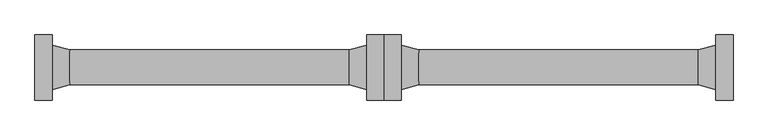
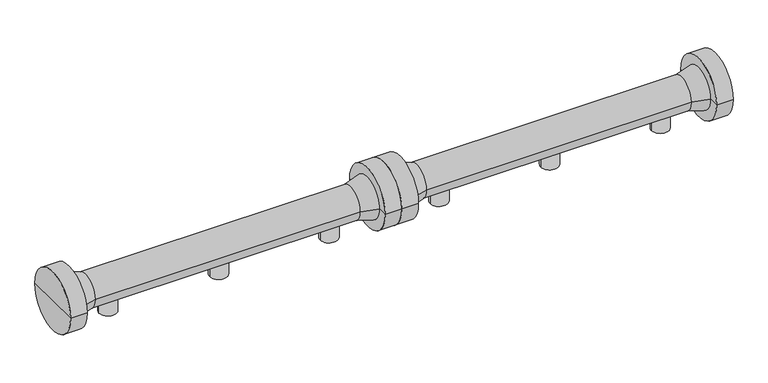
"""IFC4 building model written with IfcOpenShell, lengths in millimetres: proxy geometry."""

from ifc_helpers import new_model, si_unit, frame, origin, place, context, project, spatial, polyline, circle_curve, source, transform, mapped, element, save
from ifc_brep_helpers import plane_surface, cylinder_surface, revolved_surface, advanced_brep


def specialty_equipment_7ed93d7d(model_context):
    return source(origin(), model_context, "Body", "AdvancedBrep", [
        advanced_brep(
        [(2038.0, 0.0, 0.0), (1958.0, 0.0, 0.0), (1958.0, 0.0, 85.195173), (2038.0, 0.0, 85.195173), (1998.0, 0.0, 0.0), (1998.0, 0.0, 85.195173)],
        [
            (0, 1, circle_curve(frame((1998.0, 0.0, 0.0), z_axis=(0.0, 0.0, 1.0), x_axis=(-1.0, 0.0, 0.0)), 40.0)),
            (1, 2),
            (2, 3, circle_curve(frame((1998.0, 0.0, 85.195173), z_axis=(0.0, 0.0, -1.0), x_axis=(-1.0, 0.0, 0.0)), 40.0)),
            (3, 0),
            (1, 0, circle_curve(frame((1998.0, 0.0, 0.0), z_axis=(0.0, 0.0, 1.0), x_axis=(-1.0, 0.0, 0.0)), 40.0)),
            (3, 2, circle_curve(frame((1998.0, 0.0, 85.195173), z_axis=(0.0, 0.0, -1.0), x_axis=(-1.0, 0.0, 0.0)), 40.0)),
            (4, 1),
            (0, 4),
            (2, 5),
            (5, 3),
        ],
        [
            cylinder_surface(frame((1998.0, 0.0, 1119.4899158), z_axis=(0.0, 0.0, -1.0), x_axis=(-1.0, 0.0, 0.0)), 40.0),
            plane_surface(frame((1998.0, 0.0, 0.0), z_axis=(0.0, 0.0, -1.0), x_axis=(-1.0, 0.0, 0.0))),
            plane_surface(frame((1998.0, 0.0, 85.195173), z_axis=(0.0, 0.0, 1.0), x_axis=(-1.0, 0.0, 0.0))),
        ],
        [
            (0, [[1, 2, 3, 4]]),
            (0, [[5, -4, 6, -2]]),
            (1, [[7, -1, 8]]),
            (1, [[-8, -5, -7]]),
            (2, [[-3, 9, 10]]),
            (2, [[-6, -10, -9]]),
        ],
    ),
        advanced_brep(
        [(2538.0, 0.0, 0.0), (2458.0, 0.0, 0.0), (2458.0, 0.0, 85.195173), (2538.0, 0.0, 85.195173), (2498.0, 0.0, 0.0), (2498.0, 0.0, 85.195173)],
        [
            (0, 1, circle_curve(frame((2498.0, 0.0, 0.0), z_axis=(0.0, 0.0, 1.0), x_axis=(-1.0, 0.0, 0.0)), 40.0)),
            (1, 2),
            (2, 3, circle_curve(frame((2498.0, 0.0, 85.195173), z_axis=(0.0, 0.0, -1.0), x_axis=(-1.0, 0.0, 0.0)), 40.0)),
            (3, 0),
            (1, 0, circle_curve(frame((2498.0, 0.0, 0.0), z_axis=(0.0, 0.0, 1.0), x_axis=(-1.0, 0.0, 0.0)), 40.0)),
            (3, 2, circle_curve(frame((2498.0, 0.0, 85.195173), z_axis=(0.0, 0.0, -1.0), x_axis=(-1.0, 0.0, 0.0)), 40.0)),
            (4, 1),
            (0, 4),
            (2, 5),
            (5, 3),
        ],
        [
            cylinder_surface(frame((2498.0, 0.0, 1119.4899158), z_axis=(0.0, 0.0, -1.0), x_axis=(-1.0, 0.0, 0.0)), 40.0),
            plane_surface(frame((2498.0, 0.0, 0.0), z_axis=(0.0, 0.0, -1.0), x_axis=(-1.0, 0.0, 0.0))),
            plane_surface(frame((2498.0, 0.0, 85.195173), z_axis=(0.0, 0.0, 1.0), x_axis=(-1.0, 0.0, 0.0))),
        ],
        [
            (0, [[1, 2, 3, 4]]),
            (0, [[5, -4, 6, -2]]),
            (1, [[7, -1, 8]]),
            (1, [[-8, -5, -7]]),
            (2, [[-3, 9, 10]]),
            (2, [[-6, -10, -9]]),
        ],
    ),
        advanced_brep(
        [(1538.0, 0.0, 0.0), (1458.0, 0.0, 0.0), (1458.0, 0.0, 85.195173), (1538.0, 0.0, 85.195173), (1498.0, 0.0, 0.0), (1498.0, 0.0, 85.195173)],
        [
            (0, 1, circle_curve(frame((1498.0, 0.0, 0.0), z_axis=(0.0, 0.0, 1.0), x_axis=(-1.0, 0.0, 0.0)), 40.0)),
            (1, 2),
            (2, 3, circle_curve(frame((1498.0, 0.0, 85.195173), z_axis=(0.0, 0.0, -1.0), x_axis=(-1.0, 0.0, 0.0)), 40.0)),
            (3, 0),
            (1, 0, circle_curve(frame((1498.0, 0.0, 0.0), z_axis=(0.0, 0.0, 1.0), x_axis=(-1.0, 0.0, 0.0)), 40.0)),
            (3, 2, circle_curve(frame((1498.0, 0.0, 85.195173), z_axis=(0.0, 0.0, -1.0), x_axis=(-1.0, 0.0, 0.0)), 40.0)),
            (4, 1),
            (0, 4),
            (2, 5),
            (5, 3),
        ],
        [
            cylinder_surface(frame((1498.0, 0.0, 1119.4899158), z_axis=(0.0, 0.0, -1.0), x_axis=(-1.0, 0.0, 0.0)), 40.0),
            plane_surface(frame((1498.0, 0.0, 0.0), z_axis=(0.0, 0.0, -1.0), x_axis=(-1.0, 0.0, 0.0))),
            plane_surface(frame((1498.0, 0.0, 85.195173), z_axis=(0.0, 0.0, 1.0), x_axis=(-1.0, 0.0, 0.0))),
        ],
        [
            (0, [[1, 2, 3, 4]]),
            (0, [[5, -4, 6, -2]]),
            (1, [[7, -1, 8]]),
            (1, [[-8, -5, -7]]),
            (2, [[-3, 9, 10]]),
            (2, [[-6, -10, -9]]),
        ],
    ),
        advanced_brep(
        [(1249.0, 0.0, 131.853238), (1249.0, 139.6593353, 131.853238), (1249.0, -139.6593353, 131.853238), (2747.0, -139.6593353, 131.853238), (2747.0, 139.6593353, 131.853238), (2747.0, 0.0, 131.853238), (2672.0, -139.6593353, 131.853238), (2672.0, 139.6593353, 131.853238), (2672.0, -95.0, 131.853238), (2672.0, 95.0, 131.853238), (2596.8943825, -74.9718353, 131.853238), (2596.8943825, 74.9718353, 131.853238), (1399.1056175, -74.9718353, 131.853238), (1399.1056175, 74.9718353, 131.853238), (1324.0, -95.0, 131.853238), (1324.0, 95.0, 131.853238), (1324.0, -139.6593353, 131.853238), (1324.0, 139.6593353, 131.853238)],
        [
            (0, 1),
            (1, 2, circle_curve(frame((1249.0, 0.0, 131.853238), z_axis=(-1.0, 0.0, 0.0), x_axis=(0.0, 1.0, 0.0)), 139.6593353)),
            (2, 0),
            (2, 1, circle_curve(frame((1249.0, 0.0, 131.853238), z_axis=(-1.0, 0.0, 0.0), x_axis=(0.0, 1.0, 0.0)), 139.6593353)),
            (3, 4, circle_curve(frame((2747.0, 0.0, 131.853238), z_axis=(1.0, 0.0, 0.0), x_axis=(0.0, 1.0, 0.0)), 139.6593353)),
            (4, 5),
            (5, 3),
            (4, 3, circle_curve(frame((2747.0, 0.0, 131.853238), z_axis=(1.0, 0.0, 0.0), x_axis=(0.0, 1.0, 0.0)), 139.6593353)),
            (6, 7, circle_curve(frame((2672.0, 0.0, 131.853238), z_axis=(1.0, 0.0, 0.0), x_axis=(0.0, 1.0, 0.0)), 139.6593353)),
            (7, 4),
            (3, 6),
            (7, 6, circle_curve(frame((2672.0, 0.0, 131.853238), z_axis=(1.0, 0.0, 0.0), x_axis=(0.0, 1.0, 0.0)), 139.6593353)),
            (8, 9, circle_curve(frame((2672.0, 0.0, 131.853238), z_axis=(1.0, 0.0, 0.0), x_axis=(0.0, 1.0, 0.0)), 95.0)),
            (9, 7),
            (6, 8),
            (9, 8, circle_curve(frame((2672.0, 0.0, 131.853238), z_axis=(1.0, 0.0, 0.0), x_axis=(0.0, 1.0, 0.0)), 95.0)),
            (10, 11, circle_curve(frame((2596.8943825, 0.0, 131.853238), z_axis=(1.0, 0.0, 0.0), x_axis=(0.0, 1.0, 0.0)), 74.9718353)),
            (11, 9),
            (8, 10),
            (11, 10, circle_curve(frame((2596.8943825, 0.0, 131.853238), z_axis=(1.0, 0.0, 0.0), x_axis=(0.0, 1.0, 0.0)), 74.9718353)),
            (12, 13, circle_curve(frame((1399.1056175, 0.0, 131.853238), z_axis=(1.0, 0.0, 0.0), x_axis=(0.0, 1.0, 0.0)), 74.9718353)),
            (13, 11),
            (10, 12),
            (13, 12, circle_curve(frame((1399.1056175, 0.0, 131.853238), z_axis=(1.0, 0.0, 0.0), x_axis=(0.0, 1.0, 0.0)), 74.9718353)),
            (14, 15, circle_curve(frame((1324.0, 0.0, 131.853238), z_axis=(1.0, 0.0, 0.0), x_axis=(0.0, 1.0, 0.0)), 95.0)),
            (15, 13),
            (12, 14),
            (15, 14, circle_curve(frame((1324.0, 0.0, 131.853238), z_axis=(1.0, 0.0, 0.0), x_axis=(0.0, 1.0, 0.0)), 95.0)),
            (16, 17, circle_curve(frame((1324.0, 0.0, 131.853238), z_axis=(1.0, 0.0, 0.0), x_axis=(0.0, 1.0, 0.0)), 139.6593353)),
            (17, 15),
            (14, 16),
            (17, 16, circle_curve(frame((1324.0, 0.0, 131.853238), z_axis=(1.0, 0.0, 0.0), x_axis=(0.0, 1.0, 0.0)), 139.6593353)),
            (1, 17),
            (16, 2),
        ],
        [
            plane_surface(frame((1249.0, 0.0, 131.853238), z_axis=(-1.0, 0.0, 0.0), x_axis=(0.0, 1.0, 0.0))),
            plane_surface(frame((2747.0, 0.0, 131.853238), z_axis=(1.0, 0.0, 0.0), x_axis=(0.0, 1.0, 0.0))),
            cylinder_surface(frame((3772.0, 0.0, 131.853238), z_axis=(-1.0, 0.0, 0.0), x_axis=(0.0, 1.0, 0.0)), 139.6593353),
            plane_surface(frame((2672.0, 0.0, 131.853238), z_axis=(-1.0, 0.0, 0.0), x_axis=(0.0, 1.0, 0.0))),
            revolved_surface(polyline([(2672.0, 95.0, 131.853238), (2596.8943825, 74.9718353, 131.853238)]), (3772.0, 0.0, 131.853238), (-1.0, 0.0, 0.0)),
            cylinder_surface(frame((3772.0, 0.0, 131.853238), z_axis=(-1.0, 0.0, 0.0), x_axis=(0.0, 1.0, 0.0)), 74.9718353),
            revolved_surface(polyline([(1399.1056175, 74.9718353, 131.853238), (1324.0, 95.0, 131.853238)]), (3772.0, 0.0, 131.853238), (-1.0, 0.0, 0.0)),
            plane_surface(frame((1324.0, 0.0, 131.853238), z_axis=(1.0, 0.0, 0.0), x_axis=(0.0, 1.0, 0.0))),
        ],
        [
            (0, [[1, 2, 3]]),
            (0, [[-3, 4, -1]]),
            (1, [[5, 6, 7]]),
            (1, [[8, -7, -6]]),
            (2, [[9, 10, -5, 11]]),
            (2, [[12, -11, -8, -10]]),
            (3, [[13, 14, -9, 15]]),
            (3, [[16, -15, -12, -14]]),
            (4, [[17, 18, -13, 19]]),
            (4, [[20, -19, -16, -18]]),
            (5, [[21, 22, -17, 23]]),
            (5, [[24, -23, -20, -22]]),
            (6, [[25, 26, -21, 27]]),
            (6, [[28, -27, -24, -26]]),
            (7, [[29, 30, -25, 31]]),
            (7, [[32, -31, -28, -30]]),
            (2, [[-2, 33, -29, 34]]),
            (2, [[-4, -34, -32, -33]]),
        ],
    ),
        advanced_brep(
        [(540.0, 0.0, 0.046762), (460.0, 0.0, 0.046762), (460.0, 0.0, 85.241935), (540.0, 0.0, 85.241935), (500.0, 0.0, 0.046762), (500.0, 0.0, 85.241935)],
        [
            (0, 1, circle_curve(frame((500.0, 0.0, 0.046762), z_axis=(0.0, 0.0, 1.0), x_axis=(-1.0, 0.0, 0.0)), 40.0)),
            (1, 2),
            (2, 3, circle_curve(frame((500.0, 0.0, 85.241935), z_axis=(0.0, 0.0, -1.0), x_axis=(-1.0, 0.0, 0.0)), 40.0)),
            (3, 0),
            (1, 0, circle_curve(frame((500.0, 0.0, 0.046762), z_axis=(0.0, 0.0, 1.0), x_axis=(-1.0, 0.0, 0.0)), 40.0)),
            (3, 2, circle_curve(frame((500.0, 0.0, 85.241935), z_axis=(0.0, 0.0, -1.0), x_axis=(-1.0, 0.0, 0.0)), 40.0)),
            (4, 1),
            (0, 4),
            (2, 5),
            (5, 3),
        ],
        [
            cylinder_surface(frame((500.0, 0.0, 1119.5366778), z_axis=(0.0, 0.0, -1.0), x_axis=(-1.0, 0.0, 0.0)), 40.0),
            plane_surface(frame((500.0, 0.0, 0.046762), z_axis=(0.0, 0.0, -1.0), x_axis=(-1.0, 0.0, 0.0))),
            plane_surface(frame((500.0, 0.0, 85.241935), z_axis=(0.0, 0.0, 1.0), x_axis=(-1.0, 0.0, 0.0))),
        ],
        [
            (0, [[1, 2, 3, 4]]),
            (0, [[5, -4, 6, -2]]),
            (1, [[7, -1, 8]]),
            (1, [[-8, -5, -7]]),
            (2, [[-3, 9, 10]]),
            (2, [[-6, -10, -9]]),
        ],
    ),
        advanced_brep(
        [(1040.0, 0.0, 0.046762), (960.0, 0.0, 0.046762), (960.0, 0.0, 85.241935), (1040.0, 0.0, 85.241935), (1000.0, 0.0, 0.046762), (1000.0, 0.0, 85.241935)],
        [
            (0, 1, circle_curve(frame((1000.0, 0.0, 0.046762), z_axis=(0.0, 0.0, 1.0), x_axis=(-1.0, 0.0, 0.0)), 40.0)),
            (1, 2),
            (2, 3, circle_curve(frame((1000.0, 0.0, 85.241935), z_axis=(0.0, 0.0, -1.0), x_axis=(-1.0, 0.0, 0.0)), 40.0)),
            (3, 0),
            (1, 0, circle_curve(frame((1000.0, 0.0, 0.046762), z_axis=(0.0, 0.0, 1.0), x_axis=(-1.0, 0.0, 0.0)), 40.0)),
            (3, 2, circle_curve(frame((1000.0, 0.0, 85.241935), z_axis=(0.0, 0.0, -1.0), x_axis=(-1.0, 0.0, 0.0)), 40.0)),
            (4, 1),
            (0, 4),
            (2, 5),
            (5, 3),
        ],
        [
            cylinder_surface(frame((1000.0, 0.0, 1119.5366778), z_axis=(0.0, 0.0, -1.0), x_axis=(-1.0, 0.0, 0.0)), 40.0),
            plane_surface(frame((1000.0, 0.0, 0.046762), z_axis=(0.0, 0.0, -1.0), x_axis=(-1.0, 0.0, 0.0))),
            plane_surface(frame((1000.0, 0.0, 85.241935), z_axis=(0.0, 0.0, 1.0), x_axis=(-1.0, 0.0, 0.0))),
        ],
        [
            (0, [[1, 2, 3, 4]]),
            (0, [[5, -4, 6, -2]]),
            (1, [[7, -1, 8]]),
            (1, [[-8, -5, -7]]),
            (2, [[-3, 9, 10]]),
            (2, [[-6, -10, -9]]),
        ],
    ),
        advanced_brep(
        [(40.0, 0.0, 0.046762), (-40.0, 0.0, 0.046762), (-40.0, 0.0, 85.241935), (40.0, 0.0, 85.241935), (0.0, 0.0, 0.046762), (0.0, 0.0, 85.241935)],
        [
            (0, 1, circle_curve(frame((0.0, 0.0, 0.046762), z_axis=(0.0, 0.0, 1.0), x_axis=(-1.0, 0.0, 0.0)), 40.0)),
            (1, 2),
            (2, 3, circle_curve(frame((0.0, 0.0, 85.241935), z_axis=(0.0, 0.0, -1.0), x_axis=(-1.0, 0.0, 0.0)), 40.0)),
            (3, 0),
            (1, 0, circle_curve(frame((0.0, 0.0, 0.046762), z_axis=(0.0, 0.0, 1.0), x_axis=(-1.0, 0.0, 0.0)), 40.0)),
            (3, 2, circle_curve(frame((0.0, 0.0, 85.241935), z_axis=(0.0, 0.0, -1.0), x_axis=(-1.0, 0.0, 0.0)), 40.0)),
            (4, 1),
            (0, 4),
            (2, 5),
            (5, 3),
        ],
        [
            cylinder_surface(frame((0.0, 0.0, 1119.5366778), z_axis=(0.0, 0.0, -1.0), x_axis=(-1.0, 0.0, 0.0)), 40.0),
            plane_surface(frame((0.0, 0.0, 0.046762), z_axis=(0.0, 0.0, -1.0), x_axis=(-1.0, 0.0, 0.0))),
            plane_surface(frame((0.0, 0.0, 85.241935), z_axis=(0.0, 0.0, 1.0), x_axis=(-1.0, 0.0, 0.0))),
        ],
        [
            (0, [[1, 2, 3, 4]]),
            (0, [[5, -4, 6, -2]]),
            (1, [[7, -1, 8]]),
            (1, [[-8, -5, -7]]),
            (2, [[-3, 9, 10]]),
            (2, [[-6, -10, -9]]),
        ],
    ),
        advanced_brep(
        [(-249.0, 0.0, 131.9), (-249.0, 139.6593353, 131.9), (-249.0, -139.6593353, 131.9), (1249.0, -139.6593353, 131.9), (1249.0, 139.6593353, 131.9), (1249.0, 0.0, 131.9), (1174.0, -139.6593353, 131.9), (1174.0, 139.6593353, 131.9), (1174.0, -95.0, 131.9), (1174.0, 95.0, 131.9), (1098.8943825, -74.9718353, 131.9), (1098.8943825, 74.9718353, 131.9), (-98.8943825, -74.9718353, 131.9), (-98.8943825, 74.9718353, 131.9), (-174.0, -95.0, 131.9), (-174.0, 95.0, 131.9), (-174.0, -139.6593353, 131.9), (-174.0, 139.6593353, 131.9)],
        [
            (0, 1),
            (1, 2, circle_curve(frame((-249.0, 0.0, 131.9), z_axis=(-1.0, 0.0, 0.0), x_axis=(0.0, 1.0, 0.0)), 139.6593353)),
            (2, 0),
            (2, 1, circle_curve(frame((-249.0, 0.0, 131.9), z_axis=(-1.0, 0.0, 0.0), x_axis=(0.0, 1.0, 0.0)), 139.6593353)),
            (3, 4, circle_curve(frame((1249.0, 0.0, 131.9), z_axis=(1.0, 0.0, 0.0), x_axis=(0.0, 1.0, 0.0)), 139.6593353)),
            (4, 5),
            (5, 3),
            (4, 3, circle_curve(frame((1249.0, 0.0, 131.9), z_axis=(1.0, 0.0, 0.0), x_axis=(0.0, 1.0, 0.0)), 139.6593353)),
            (6, 7, circle_curve(frame((1174.0, 0.0, 131.9), z_axis=(1.0, 0.0, 0.0), x_axis=(0.0, 1.0, 0.0)), 139.6593353)),
            (7, 4),
            (3, 6),
            (7, 6, circle_curve(frame((1174.0, 0.0, 131.9), z_axis=(1.0, 0.0, 0.0), x_axis=(0.0, 1.0, 0.0)), 139.6593353)),
            (8, 9, circle_curve(frame((1174.0, 0.0, 131.9), z_axis=(1.0, 0.0, 0.0), x_axis=(0.0, 1.0, 0.0)), 95.0)),
            (9, 7),
            (6, 8),
            (9, 8, circle_curve(frame((1174.0, 0.0, 131.9), z_axis=(1.0, 0.0, 0.0), x_axis=(0.0, 1.0, 0.0)), 95.0)),
            (10, 11, circle_curve(frame((1098.8943825, 0.0, 131.9), z_axis=(1.0, 0.0, 0.0), x_axis=(0.0, 1.0, 0.0)), 74.9718353)),
            (11, 9),
            (8, 10),
            (11, 10, circle_curve(frame((1098.8943825, 0.0, 131.9), z_axis=(1.0, 0.0, 0.0), x_axis=(0.0, 1.0, 0.0)), 74.9718353)),
            (12, 13, circle_curve(frame((-98.8943825, 0.0, 131.9), z_axis=(1.0, 0.0, 0.0), x_axis=(0.0, 1.0, 0.0)), 74.9718353)),
            (13, 11),
            (10, 12),
            (13, 12, circle_curve(frame((-98.8943825, 0.0, 131.9), z_axis=(1.0, 0.0, 0.0), x_axis=(0.0, 1.0, 0.0)), 74.9718353)),
            (14, 15, circle_curve(frame((-174.0, 0.0, 131.9), z_axis=(1.0, 0.0, 0.0), x_axis=(0.0, 1.0, 0.0)), 95.0)),
            (15, 13),
            (12, 14),
            (15, 14, circle_curve(frame((-174.0, 0.0, 131.9), z_axis=(1.0, 0.0, 0.0), x_axis=(0.0, 1.0, 0.0)), 95.0)),
            (16, 17, circle_curve(frame((-174.0, 0.0, 131.9), z_axis=(1.0, 0.0, 0.0), x_axis=(0.0, 1.0, 0.0)), 139.6593353)),
            (17, 15),
            (14, 16),
            (17, 16, circle_curve(frame((-174.0, 0.0, 131.9), z_axis=(1.0, 0.0, 0.0), x_axis=(0.0, 1.0, 0.0)), 139.6593353)),
            (1, 17),
            (16, 2),
        ],
        [
            plane_surface(frame((-249.0, 0.0, 131.9), z_axis=(-1.0, 0.0, 0.0), x_axis=(0.0, 1.0, 0.0))),
            plane_surface(frame((1249.0, 0.0, 131.9), z_axis=(1.0, 0.0, 0.0), x_axis=(0.0, 1.0, 0.0))),
            cylinder_surface(frame((2274.0, 0.0, 131.9), z_axis=(-1.0, 0.0, 0.0), x_axis=(0.0, 1.0, 0.0)), 139.6593353),
            plane_surface(frame((1174.0, 0.0, 131.9), z_axis=(-1.0, 0.0, 0.0), x_axis=(0.0, 1.0, 0.0))),
            revolved_surface(polyline([(1174.0, 95.0, 131.9), (1098.8943825, 74.9718353, 131.9)]), (2274.0, 0.0, 131.9), (-1.0, 0.0, 0.0)),
            cylinder_surface(frame((2274.0, 0.0, 131.9), z_axis=(-1.0, 0.0, 0.0), x_axis=(0.0, 1.0, 0.0)), 74.9718353),
            revolved_surface(polyline([(-98.8943825, 74.9718353, 131.9), (-174.0, 95.0, 131.9)]), (2274.0, 0.0, 131.9), (-1.0, 0.0, 0.0)),
            plane_surface(frame((-174.0, 0.0, 131.9), z_axis=(1.0, 0.0, 0.0), x_axis=(0.0, 1.0, 0.0))),
        ],
        [
            (0, [[1, 2, 3]]),
            (0, [[-3, 4, -1]]),
            (1, [[5, 6, 7]]),
            (1, [[8, -7, -6]]),
            (2, [[9, 10, -5, 11]]),
            (2, [[12, -11, -8, -10]]),
            (3, [[13, 14, -9, 15]]),
            (3, [[16, -15, -12, -14]]),
            (4, [[17, 18, -13, 19]]),
            (4, [[20, -19, -16, -18]]),
            (5, [[21, 22, -17, 23]]),
            (5, [[24, -23, -20, -22]]),
            (6, [[25, 26, -21, 27]]),
            (6, [[28, -27, -24, -26]]),
            (7, [[29, 30, -25, 31]]),
            (7, [[32, -31, -28, -30]]),
            (2, [[-2, 33, -29, 34]]),
            (2, [[-4, -34, -32, -33]]),
        ],
    ),
    ])


if __name__ == "__main__":
    model = new_model("IFC4")
    model_context = context("Model", 3, world=origin())
    ifc_project = project(units=[si_unit("LENGTHUNIT", "METRE", prefix="MILLI")], contexts=[model_context])
    site = spatial("IfcSite", under=ifc_project)
    building = spatial("IfcBuilding", under=site)
    placement = place(None, origin())
    specialty_equipment_shape = specialty_equipment_7ed93d7d(model_context)
    element("IfcBuildingElementProxy", 1, Name="Specialty Equipment", at=placement, inside=building, context=model_context, shape_type="MappedRepresentation", body=[
        mapped(specialty_equipment_shape, transform((0.0, 0.0, 0.0), x_axis=(1.0, 0.0, 0.0), y_axis=(0.0, 1.0, 0.0), z_axis=(0.0, 0.0, 1.0))),
    ])
    save(model, "model.ifc")
